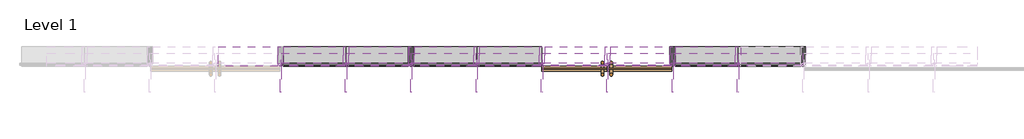
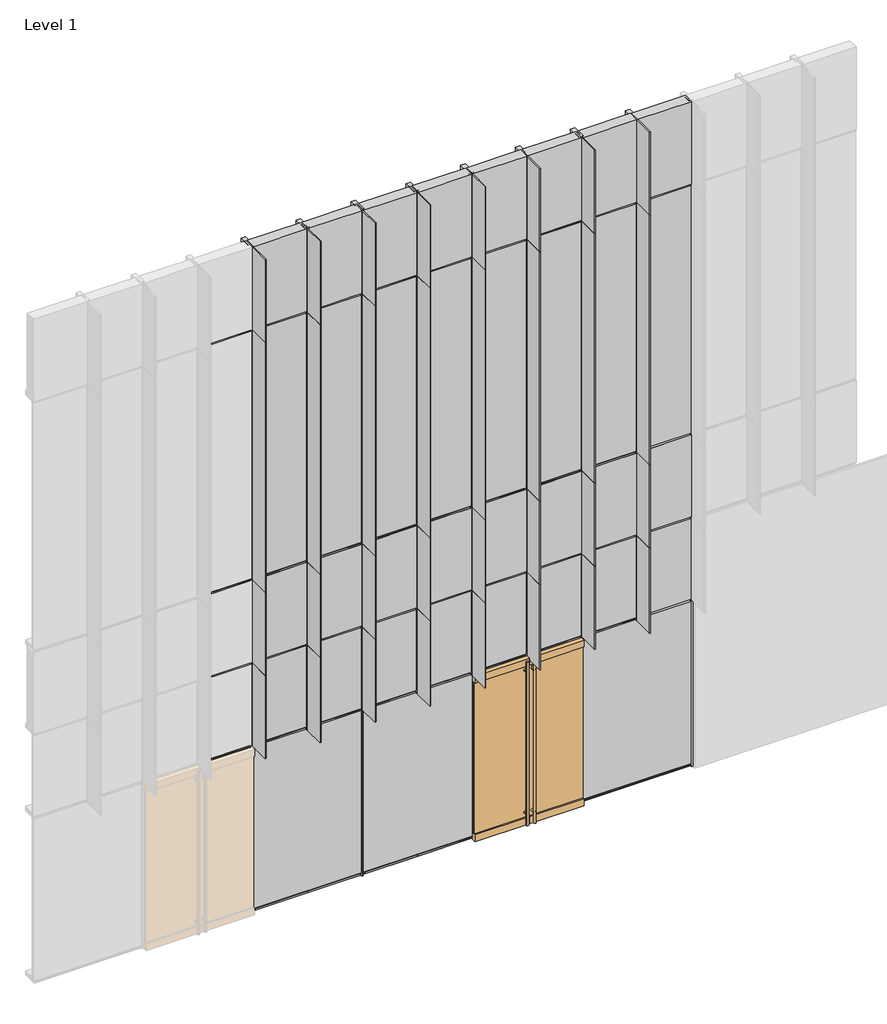
# One storey, part 4 of 15: 73 members, 35 plates, 1 door.
"""IFC4 building model written with IfcOpenShell, lengths in millimetres."""

import ifcopenshell
import ifcopenshell.guid

model = None  # the IFC model being written
_history = None  # IfcOwnerHistory: only IFC2X3 demands one
_inside = {}  # id of a spatial element -> (the spatial element, [elements in it])
_under = {}  # id of a project, library or spatial element -> (it, [spatial elements below it])
_declared = {}  # id of a project -> (the project, [libraries it declares])
_typed = {}  # id of a type object -> (the type object, [elements of that type])
_made_of = {}  # id of a material, layer set ... -> (it, [elements and type objects made of it])


def new_model(schema):
    """Start an empty IFC model of exactly this schema.

    Asked for "IFC4X3", IfcOpenShell would pick the latest addendum, in which some entities
    have other attributes; the version numbers below select the first issue.
    IFC2X3 requires an IfcOwnerHistory on every rooted entity: one is made here for all.
    """
    global model, _history
    if schema == "IFC4X3":
        model = ifcopenshell.file(schema_version=(4, 3, 0, 0))
    else:
        model = ifcopenshell.file(schema=schema)
    _inside.clear()
    _under.clear()
    _declared.clear()
    _typed.clear()
    _made_of.clear()
    _history = None
    if model.schema == "IFC2X3":
        org = make("IfcOrganization", Name="unknown")
        user = make(
            "IfcPersonAndOrganization",
            ThePerson=make("IfcPerson", FamilyName="unknown"),
            TheOrganization=org,
        )
        app = make(
            "IfcApplication",
            ApplicationDeveloper=org,
            Version="unknown",
            ApplicationFullName="unknown",
            ApplicationIdentifier="unknown",
        )
        _history = make(
            "IfcOwnerHistory",
            OwningUser=user,
            OwningApplication=app,
            ChangeAction="ADDED",
            CreationDate=0,
        )
    return model


def make(cls, **values):
    """One entity of the class cls with the attributes given. An attribute that is None is left unset."""
    return model.create_entity(
        cls, **{name: value for name, value in values.items() if value is not None}
    )


def rooted(cls, **values):
    """An entity with a GlobalId (a new one), such as an element, a storey or a relation."""
    return make(cls, GlobalId=ifcopenshell.guid.new(), OwnerHistory=_history, **values)


def si_unit(unit_type, name, prefix=None):
    """IfcSIUnit, for example si_unit("LENGTHUNIT", "METRE", prefix="MILLI")."""
    return make("IfcSIUnit", UnitType=unit_type, Prefix=prefix, Name=name)


def assignment(units):
    """IfcUnitAssignment: the units of a project."""
    return None if units is None else make("IfcUnitAssignment", Units=units)


def point(xyz):
    """IfcCartesianPoint."""
    return None if xyz is None else make("IfcCartesianPoint", Coordinates=xyz)


def direction(xyz):
    """IfcDirection."""
    return None if xyz is None else make("IfcDirection", DirectionRatios=xyz)


def frame(location, z_axis=None, x_axis=None):
    """IfcAxis2Placement3D, a coordinate frame: its origin and axes. An axis left out is left unset."""
    return make(
        "IfcAxis2Placement3D",
        Location=point(location),
        Axis=direction(z_axis),
        RefDirection=direction(x_axis),
    )


def frame_2d(location, x_axis=None):
    """IfcAxis2Placement2D, a coordinate frame in the plane: its origin and x axis."""
    return make(
        "IfcAxis2Placement2D", Location=point(location), RefDirection=direction(x_axis)
    )


def origin():
    """The frame at (0, 0, 0) with its axes left unset."""
    return frame((0.0, 0.0, 0.0))


def origin_with_axes():
    """The frame at (0, 0, 0) with the z axis (0, 0, 1) and the x axis (1, 0, 0) written out."""
    return frame((0.0, 0.0, 0.0), z_axis=(0.0, 0.0, 1.0), x_axis=(1.0, 0.0, 0.0))


def place(relative_to, where):
    """IfcLocalPlacement: puts the frame where relative to a parent placement (None: the world)."""
    return make(
        "IfcLocalPlacement", PlacementRelTo=relative_to, RelativePlacement=where
    )


def context(
    kind, dimensions, precision=None, world=None, true_north=None, identifier=None
):
    """IfcGeometricRepresentationContext, for example the 3D "Model" context."""
    return make(
        "IfcGeometricRepresentationContext",
        ContextIdentifier=identifier,
        ContextType=kind,
        CoordinateSpaceDimension=dimensions,
        Precision=precision,
        WorldCoordinateSystem=world,
        TrueNorth=true_north,
    )


def project(units=None, contexts=None):
    """IfcProject with its units and contexts."""
    return rooted(
        "IfcProject",
        Name="project",
        RepresentationContexts=contexts,
        UnitsInContext=assignment(units),
    )


def spatial(cls, under=None, at=None, **own):
    """A site, building, storey or space (cls), placed at a placement, below another one or the project."""
    s = rooted(cls, ObjectPlacement=at, **own)
    if under is not None:
        _under.setdefault(under.id(), (under, []))[1].append(s)
    return s


def polyline(points):
    """IfcPolyline through the points."""
    return make("IfcPolyline", Points=[point(p) for p in points])


def circle_curve(where, radius):
    """IfcCircle in the frame where."""
    return make("IfcCircle", Position=where, Radius=radius)


def trimmed(basis, trim1, trim2, sense, master):
    """IfcTrimmedCurve: the piece of a basis curve between two trims."""
    return make(
        "IfcTrimmedCurve",
        BasisCurve=basis,
        Trim1=trim1,
        Trim2=trim2,
        SenseAgreement=sense,
        MasterRepresentation=master,
    )


def segment(curve, same_sense, transition):
    """IfcCompositeCurveSegment."""
    return make(
        "IfcCompositeCurveSegment",
        Transition=transition,
        SameSense=same_sense,
        ParentCurve=curve,
    )


def composite_curve(segments, self_intersect=None):
    """IfcCompositeCurve: segments joined end to end."""
    return make("IfcCompositeCurve", Segments=segments, SelfIntersect=self_intersect)


def outline(outer, holes=None, kind="AREA"):
    """IfcArbitraryClosedProfileDef: a profile drawn as a closed curve; with holes, ...WithVoids."""
    if holes is None:
        return make("IfcArbitraryClosedProfileDef", ProfileType=kind, OuterCurve=outer)
    return make(
        "IfcArbitraryProfileDefWithVoids",
        ProfileType=kind,
        OuterCurve=outer,
        InnerCurves=holes,
    )


def extrude(swept, where, along, depth):
    """IfcExtrudedAreaSolid: the profile swept, set in the frame where, extruded along a direction by depth."""
    return make(
        "IfcExtrudedAreaSolid",
        SweptArea=swept,
        Position=where,
        ExtrudedDirection=direction(along),
        Depth=depth,
    )


def shape(context_of_items, identifier, shape_type, items):
    """IfcShapeRepresentation: the items that make up one representation, for example the "Body"."""
    return make(
        "IfcShapeRepresentation",
        ContextOfItems=context_of_items,
        RepresentationIdentifier=identifier,
        RepresentationType=shape_type,
        Items=items,
    )


def source(mapping_origin, context_of_items, identifier, shape_type, items):
    """IfcRepresentationMap: a shape defined once, which mapped items show again and again."""
    return make(
        "IfcRepresentationMap",
        MappingOrigin=mapping_origin,
        MappedRepresentation=shape(context_of_items, identifier, shape_type, items),
    )


def transform(
    local_origin,
    x_axis=None,
    y_axis=None,
    z_axis=None,
    scale=None,
    scale2=None,
    scale3=None,
    uniform=True,
):
    """IfcCartesianTransformationOperator3D, or its non-uniform kind. x_axis, y_axis, z_axis: its Axis1, 2, 3."""
    if uniform:
        return make(
            "IfcCartesianTransformationOperator3D",
            Axis1=direction(x_axis),
            Axis2=direction(y_axis),
            LocalOrigin=point(local_origin),
            Scale=scale,
            Axis3=direction(z_axis),
        )
    return make(
        "IfcCartesianTransformationOperator3DnonUniform",
        Axis1=direction(x_axis),
        Axis2=direction(y_axis),
        LocalOrigin=point(local_origin),
        Scale=scale,
        Axis3=direction(z_axis),
        Scale2=scale2,
        Scale3=scale3,
    )


def mapped(mapping_source, mapping_target):
    """IfcMappedItem: shows the shape of a source again, moved by a transform."""
    return make(
        "IfcMappedItem", MappingSource=mapping_source, MappingTarget=mapping_target
    )


def made_of(thing, what):
    """Note that an element or type object is made of a material, layer set ...; save() writes the relation."""
    if what is not None:
        _made_of.setdefault(what.id(), (what, []))[1].append(thing)
    return thing


def element(
    cls,
    number,
    at=None,
    inside=None,
    cuts=None,
    type_object=None,
    material=None,
    context=None,
    identifier="Body",
    shape_type=None,
    held_by="IfcProductDefinitionShape",
    body=None,
    shapes=None,
    **own,
):
    """One element of the class cls, such as IfcWall. Its Tag is "e" and its number.

    at: its placement. inside: the storey or other place that contains it. cuts: it is an
    opening in that element (IfcRelVoidsElement). A single representation is given by context,
    identifier, shape_type and body (its items); several are given by shapes. held_by: the class
    of the entity that holds the representations. save() writes the other relations.
    """
    e = rooted(cls, Tag="e%d" % number, ObjectPlacement=at, **own)
    if body is not None:
        shapes = [shape(context, identifier, shape_type, body)]
    if shapes is not None:
        e.Representation = make(held_by, Representations=shapes)
    if inside is not None:
        _inside.setdefault(inside.id(), (inside, []))[1].append(e)
    if cuts is not None:
        rooted(
            "IfcRelVoidsElement", RelatingBuildingElement=cuts, RelatedOpeningElement=e
        )
    if type_object is not None:
        _typed.setdefault(type_object.id(), (type_object, []))[1].append(e)
    return made_of(e, material)


def aggregate(whole, parts):
    """IfcRelAggregates: a whole, such as a stair, and the parts it consists of."""
    return rooted("IfcRelAggregates", RelatingObject=whole, RelatedObjects=parts)


def save(model, path):
    """Write the relations noted so far, then the file.

    IfcRelAggregates (storeys below a building ...), IfcRelContainedInSpatialStructure (elements
    in a storey), IfcRelDefinesByType, IfcRelAssociatesMaterial and IfcRelDeclares: one each for
    every whole, place, type object, material and project.
    """
    for whole, parts in _under.values():
        aggregate(whole, parts)
    for where, things in _inside.values():
        rooted(
            "IfcRelContainedInSpatialStructure",
            RelatedElements=things,
            RelatingStructure=where,
        )
    for kind, things in _typed.values():
        rooted("IfcRelDefinesByType", RelatedObjects=things, RelatingType=kind)
    for what, things in _made_of.values():
        rooted("IfcRelAssociatesMaterial", RelatedObjects=things, RelatingMaterial=what)
    for by, libraries in _declared.values():
        rooted("IfcRelDeclares", RelatingContext=by, RelatedDefinitions=libraries)
    model.write(path)


def default_exterior_d0bf066a(model_context):
    return source(origin(), model_context, "Body", "SweptSolid", [
        extrude(outline(composite_curve([segment(trimmed(circle_curve(frame_2d((2260.6, -50.8)), 15.875), [point((2260.6, -34.925))], [point((2260.6, -66.675))], False, "CARTESIAN"), True, "CONTINUOUS"), segment(trimmed(circle_curve(frame_2d((2260.6, -50.8)), 15.875), [point((2260.6, -66.675))], [point((2260.6, -34.925))], False, "CARTESIAN"), True, "CONTINUOUS")], self_intersect=False)), frame((0.0, -98.425, 0.0), z_axis=(0.0, 1.0, 0.0), x_axis=(0.0, 0.0, 1.0)), (0.0, 0.0, 1.0), 139.7),
        extrude(outline(composite_curve([segment(trimmed(circle_curve(frame_2d((177.8, -50.8)), 15.875), [point((177.8, -34.925))], [point((177.8, -66.675))], False, "CARTESIAN"), True, "CONTINUOUS"), segment(trimmed(circle_curve(frame_2d((177.8, -50.8)), 15.875), [point((177.8, -66.675))], [point((177.8, -34.925))], False, "CARTESIAN"), True, "CONTINUOUS")], self_intersect=False)), frame((0.0, -98.425, 0.0), z_axis=(0.0, 1.0, 0.0), x_axis=(0.0, 0.0, 1.0)), (0.0, 0.0, 1.0), 139.7),
        extrude(outline(composite_curve([segment(trimmed(circle_curve(frame_2d((-50.8, -98.425)), 15.875), [point((-34.925, -98.425))], [point((-66.675, -98.425))], False, "CARTESIAN"), True, "CONTINUOUS"), segment(trimmed(circle_curve(frame_2d((-50.8, -98.425)), 15.875), [point((-66.675, -98.425))], [point((-34.925, -98.425))], False, "CARTESIAN"), True, "CONTINUOUS")], self_intersect=False)), frame((0.0, 0.0, 25.4), z_axis=(0.0, 0.0, 1.0), x_axis=(1.0, 0.0, 0.0)), (0.0, 0.0, 1.0), 2387.6),
        extrude(outline(composite_curve([segment(trimmed(circle_curve(frame_2d((-50.8, 41.275)), 15.875), [point((-34.925, 41.275))], [point((-66.675, 41.275))], False, "CARTESIAN"), True, "CONTINUOUS"), segment(trimmed(circle_curve(frame_2d((-50.8, 41.275)), 15.875), [point((-66.675, 41.275))], [point((-34.925, 41.275))], False, "CARTESIAN"), True, "CONTINUOUS")], self_intersect=False)), frame((0.0, 0.0, 25.4), z_axis=(0.0, 0.0, 1.0), x_axis=(1.0, 0.0, 0.0)), (0.0, 0.0, 1.0), 2387.6),
        extrude(outline(composite_curve([segment(trimmed(circle_curve(frame_2d((2260.6, 50.8)), 15.875), [point((2260.6, 34.925))], [point((2260.6, 66.675))], False, "CARTESIAN"), True, "CONTINUOUS"), segment(trimmed(circle_curve(frame_2d((2260.6, 50.8)), 15.875), [point((2260.6, 66.675))], [point((2260.6, 34.925))], False, "CARTESIAN"), True, "CONTINUOUS")], self_intersect=False)), frame((0.0, -98.425, 0.0), z_axis=(0.0, 1.0, 0.0), x_axis=(0.0, 0.0, 1.0)), (0.0, 0.0, 1.0), 139.7),
        extrude(outline(composite_curve([segment(trimmed(circle_curve(frame_2d((177.8, 50.8)), 15.875), [point((177.8, 34.925))], [point((177.8, 66.675))], False, "CARTESIAN"), True, "CONTINUOUS"), segment(trimmed(circle_curve(frame_2d((177.8, 50.8)), 15.875), [point((177.8, 66.675))], [point((177.8, 34.925))], False, "CARTESIAN"), True, "CONTINUOUS")], self_intersect=False)), frame((0.0, -98.425, 0.0), z_axis=(0.0, 1.0, 0.0), x_axis=(0.0, 0.0, 1.0)), (0.0, 0.0, 1.0), 139.7),
        extrude(outline(composite_curve([segment(trimmed(circle_curve(frame_2d((50.8, -98.425)), 15.875), [point((34.925, -98.425))], [point((66.675, -98.425))], False, "CARTESIAN"), True, "CONTINUOUS"), segment(trimmed(circle_curve(frame_2d((50.8, -98.425)), 15.875), [point((66.675, -98.425))], [point((34.925, -98.425))], False, "CARTESIAN"), True, "CONTINUOUS")], self_intersect=False)), frame((0.0, 0.0, 25.4), z_axis=(0.0, 0.0, 1.0), x_axis=(1.0, 0.0, 0.0)), (0.0, 0.0, 1.0), 2387.6),
        extrude(outline(composite_curve([segment(trimmed(circle_curve(frame_2d((50.8, 41.275)), 15.875), [point((34.925, 41.275))], [point((66.675, 41.275))], False, "CARTESIAN"), True, "CONTINUOUS"), segment(trimmed(circle_curve(frame_2d((50.8, 41.275)), 15.875), [point((66.675, 41.275))], [point((34.925, 41.275))], False, "CARTESIAN"), True, "CONTINUOUS")], self_intersect=False)), frame((0.0, 0.0, 25.4), z_axis=(0.0, 0.0, 1.0), x_axis=(1.0, 0.0, 0.0)), (0.0, 0.0, 1.0), 2387.6),
        extrude(outline(polyline([(-757.2375, -57.15), (-757.2375, 0.0), (0.0, 0.0), (0.0, -57.15), (-757.2375, -57.15)])), frame((0.0, 0.0, 2327.275), z_axis=(0.0, 0.0, 1.0), x_axis=(1.0, 0.0, 0.0)), (0.0, 0.0, 1.0), 101.6),
        extrude(outline(polyline([(-757.2375, -57.15), (-757.2375, 0.0), (0.0, 0.0), (0.0, -57.15), (-757.2375, -57.15)])), origin_with_axes(), (0.0, 0.0, 1.0), 101.6),
        extrude(outline(polyline([(-757.2375, -34.925), (-757.2375, -22.225), (0.0, -22.225), (0.0, -34.925), (-757.2375, -34.925)])), frame((0.0, 0.0, 101.6), z_axis=(0.0, 0.0, 1.0), x_axis=(1.0, 0.0, 0.0)), (0.0, 0.0, 1.0), 2225.675),
        extrude(outline(polyline([(757.2375, -57.15), (0.0, -57.15), (0.0, 0.0), (757.2375, 0.0), (757.2375, -57.15)])), frame((0.0, 0.0, 2327.275), z_axis=(0.0, 0.0, 1.0), x_axis=(1.0, 0.0, 0.0)), (0.0, 0.0, 1.0), 101.6),
        extrude(outline(polyline([(757.2375, -57.15), (0.0, -57.15), (0.0, 0.0), (757.2375, 0.0), (757.2375, -57.15)])), origin_with_axes(), (0.0, 0.0, 1.0), 101.6),
        extrude(outline(polyline([(757.2375, -34.925), (0.0, -34.925), (0.0, -22.225), (757.2375, -22.225), (757.2375, -34.925)])), frame((0.0, 0.0, 101.6), z_axis=(0.0, 0.0, 1.0), x_axis=(1.0, 0.0, 0.0)), (0.0, 0.0, 1.0), 2225.675),
    ])


def rectangular_mullion_658b0388(model_context):
    return source(origin(), model_context, "Body", "SweptSolid", [
        extrude(outline(polyline([(33.2101153, -228.6), (-30.2898847, -228.6), (-30.2898847, -26.9875), (-8.0648847, -26.9875), (-8.0648847, 0.0), (-4.8898847, 0.0), (-4.8898847, 304.8), (7.8101153, 304.8), (7.8101153, 0.0), (10.9851153, 0.0), (10.9851153, -26.9875), (33.2101153, -26.9875), (33.2101153, -228.6)])), frame((0.0, 0.0, -3657.6), z_axis=(0.0, 0.0, 1.0), x_axis=(1.0, 0.0, 0.0)), (0.0, 0.0, 1.0), 3657.6),
    ])


def rectangular_mullion_40a1b22a(model_context):
    return source(origin(), model_context, "Body", "SweptSolid", [
        extrude(outline(polyline([(33.2101153, -228.6), (-30.2898847, -228.6), (-30.2898847, -26.9875), (-8.0648847, -26.9875), (-8.0648847, 0.0), (-4.8898847, 0.0), (-4.8898847, 304.8), (7.8101153, 304.8), (7.8101153, 0.0), (10.9851153, 0.0), (10.9851153, -26.9875), (33.2101153, -26.9875), (33.2101153, -228.6)])), frame((0.0, 0.0, -1219.2), z_axis=(0.0, 0.0, 1.0), x_axis=(1.0, 0.0, 0.0)), (0.0, 0.0, 1.0), 1219.2),
    ])


def rectangular_mullion_8a8c6ea4(model_context):
    return source(origin(), model_context, "Body", "SweptSolid", [
        extrude(outline(polyline([(31.75, -228.6), (-31.75, -228.6), (-31.75, -26.9875), (-9.525, -26.9875), (-9.525, 0.0), (9.525, 0.0), (9.525, -26.9875), (31.75, -26.9875), (31.75, -228.6)])), frame((0.0, 0.0, -698.5), z_axis=(0.0, 0.0, 1.0), x_axis=(1.0, 0.0, 0.0)), (0.0, 0.0, 1.0), 698.5),
    ])


def rectangular_mullion_2ba164b7(model_context):
    return source(origin(), model_context, "Body", "SweptSolid", [
        extrude(outline(polyline([(31.75, -228.6), (-31.75, -228.6), (-31.75, -26.9875), (-9.525, -26.9875), (-9.525, 0.0), (9.525, 0.0), (9.525, -26.9875), (31.75, -26.9875), (31.75, -228.6)])), frame((0.0, 0.0, -2438.4), z_axis=(0.0, 0.0, 1.0), x_axis=(1.0, 0.0, 0.0)), (0.0, 0.0, 1.0), 2438.4),
    ])


def rectangular_mullion_79c372c8(model_context):
    return source(origin(), model_context, "Body", "SweptSolid", [
        extrude(outline(polyline([(33.2101153, -228.6), (-30.2898847, -228.6), (-30.2898847, -26.9875), (-8.0648847, -26.9875), (-8.0648847, 0.0), (-4.8898847, 0.0), (-4.8898847, 304.8), (7.8101153, 304.8), (7.8101153, 0.0), (10.9851153, 0.0), (10.9851153, -26.9875), (33.2101153, -26.9875), (33.2101153, -228.6)])), frame((0.0, 0.0, -1250.95), z_axis=(0.0, 0.0, 1.0), x_axis=(1.0, 0.0, 0.0)), (0.0, 0.0, 1.0), 1250.95),
    ])


def rectangular_mullion_a8ff40d3(model_context):
    return source(origin(), model_context, "Body", "SweptSolid", [
        extrude(outline(polyline([(31.75, -228.6), (-31.75, -228.6), (-31.75, -26.9875), (-9.525, -26.9875), (-9.525, 0.0), (9.525, 0.0), (9.525, -26.9875), (31.75, -26.9875), (31.75, -228.6)])), frame((0.0, 0.0, -697.0398847), z_axis=(0.0, 0.0, 1.0), x_axis=(1.0, 0.0, 0.0)), (0.0, 0.0, 1.0), 697.0398847),
    ])


def rectangular_mullion_655f1c1d(model_context):
    return source(origin(), model_context, "Body", "SweptSolid", [
        extrude(outline(polyline([(-63.5, -228.6), (-63.5, -26.9875), (-41.275, -26.9875), (-41.275, 0.0), (-22.225, 0.0), (-22.225, -26.9875), (0.0, -26.9875), (0.0, -228.6), (-63.5, -228.6)])), frame((0.0, 0.0, -762.0), z_axis=(0.0, 0.0, 1.0), x_axis=(1.0, 0.0, 0.0)), (0.0, 0.0, 1.0), 762.0),
    ])


def rectangular_mullion_34b15848(model_context):
    return source(origin(), model_context, "Body", "SweptSolid", [
        extrude(outline(polyline([(-63.5, -228.6), (-63.5, -26.9875), (-41.275, -26.9875), (-41.275, 0.0), (-22.225, 0.0), (-22.225, -26.9875), (0.0, -26.9875), (0.0, -228.6), (-63.5, -228.6)])), frame((0.0, 0.0, -730.25), z_axis=(0.0, 0.0, 1.0), x_axis=(1.0, 0.0, 0.0)), (0.0, 0.0, 1.0), 730.25),
    ])


def plate_6c5fabed(model_context):
    return source(origin(), model_context, "Body", "SweptSolid", [
        extrude(outline(polyline([(0.0, -752.475), (0.0, 0.0), (0.0, 752.475), (2387.6, 752.475), (2387.6, 0.0), (2387.6, -752.475), (0.0, -752.475)])), frame((0.0, 12.7, 0.0), z_axis=(0.0, 1.0, 0.0), x_axis=(0.0, 0.0, 1.0)), (0.0, 0.0, 1.0), 25.4),
    ])


def plate_df1a668c(model_context):
    return source(origin(), model_context, "Body", "SweptSolid", [
        extrude(outline(polyline([(0.0, -757.2375), (0.0, -4.7625), (0.0, 757.2375), (2387.6, 757.2375), (2387.6, -4.7625), (2387.6, -757.2375), (0.0, -757.2375)])), frame((0.0, 12.7, 0.0), z_axis=(0.0, 1.0, 0.0), x_axis=(0.0, 0.0, 1.0)), (0.0, 0.0, 1.0), 25.4),
    ])


def plate_a50c4586(model_context):
    return source(origin(), model_context, "Body", "SweptSolid", [
        extrude(outline(polyline([(371.475, 12.7), (-371.475, 12.7), (-371.475, 38.1), (371.475, 38.1), (371.475, 12.7)])), origin_with_axes(), (0.0, 0.0, 1.0), 3638.55),
    ])


def plate_fd20e3dd(model_context):
    return source(origin(), model_context, "Body", "SweptSolid", [
        extrude(outline(polyline([(371.475, 12.7), (-371.475, 12.7), (-371.475, 38.1), (371.475, 38.1), (371.475, 12.7)])), origin_with_axes(), (0.0, 0.0, 1.0), 1200.15),
    ])


def plate_d4540562(model_context):
    return source(origin(), model_context, "Body", "SweptSolid", [
        extrude(outline(polyline([(371.475, 0.0), (-371.475, 0.0), (-371.475, 152.4), (371.475, 152.4), (371.475, 0.0)])), origin_with_axes(), (0.0, 0.0, 1.0), 1200.15),
    ])


def plate_23171f9a(model_context):
    return source(origin(), model_context, "Body", "SweptSolid", [
        extrude(outline(polyline([(371.475, 0.0), (-371.475, 0.0), (-371.475, 152.4), (371.475, 152.4), (371.475, 0.0)])), origin_with_axes(), (0.0, 0.0, 1.0), 1209.675),
    ])


model = new_model("IFC4")

# Units and contexts
model_context = context("Model", 3, world=origin())
ifc_project = project(units=[si_unit("LENGTHUNIT", "METRE", prefix="MILLI")], contexts=[model_context])

# Site, building, storey
site = spatial("IfcSite", under=ifc_project)
building = spatial("IfcBuilding", under=site)
storey = spatial("IfcBuildingStorey", under=building, Name="Level 1", Elevation=0.0)

# Door
placement = place(None, origin())
default_exterior_shape = default_exterior_d0bf066a(model_context)
element("IfcDoor", 1, ObjectType="Default - Exterior", at=placement, inside=storey, context=model_context, shape_type="MappedRepresentation", body=[
    mapped(default_exterior_shape, transform((208075.1303019, 88347.5014, 0.0), x_axis=(1.0, 0.0, 0.0), y_axis=(0.0, 1.0, 0.0), z_axis=(0.0, 0.0, 1.0))),
])

# Members
rectangular_mullion_shape = rectangular_mullion_658b0388(model_context)
element("IfcMember", 2, ObjectType="Rectangular Mullion", at=placement, inside=storey, context=model_context, shape_type="MappedRepresentation", body=[
    mapped(rectangular_mullion_shape, transform((204269.8928019, 88347.5014, 4876.8), x_axis=(1.0, 0.0, 0.0), y_axis=(0.0, -1.0, 0.0), z_axis=(0.0, 0.0, -1.0))),
])
element("IfcMember", 3, ObjectType="Rectangular Mullion", at=placement, inside=storey, context=model_context, shape_type="MappedRepresentation", body=[
    mapped(rectangular_mullion_shape, transform((205031.8928019, 88347.5014, 4876.8), x_axis=(1.0, 0.0, 0.0), y_axis=(0.0, -1.0, 0.0), z_axis=(0.0, 0.0, -1.0))),
])
element("IfcMember", 4, ObjectType="Rectangular Mullion", at=placement, inside=storey, context=model_context, shape_type="MappedRepresentation", body=[
    mapped(rectangular_mullion_shape, transform((205793.8928019, 88347.5014, 4876.8), x_axis=(1.0, 0.0, 0.0), y_axis=(0.0, -1.0, 0.0), z_axis=(0.0, 0.0, -1.0))),
])
element("IfcMember", 5, ObjectType="Rectangular Mullion", at=placement, inside=storey, context=model_context, shape_type="MappedRepresentation", body=[
    mapped(rectangular_mullion_shape, transform((206555.8928019, 88347.5014, 4876.8), x_axis=(1.0, 0.0, 0.0), y_axis=(0.0, -1.0, 0.0), z_axis=(0.0, 0.0, -1.0))),
])
element("IfcMember", 6, ObjectType="Rectangular Mullion", at=placement, inside=storey, context=model_context, shape_type="MappedRepresentation", body=[
    mapped(rectangular_mullion_shape, transform((207317.8928019, 88347.5014, 4876.8), x_axis=(1.0, 0.0, 0.0), y_axis=(0.0, -1.0, 0.0), z_axis=(0.0, 0.0, -1.0))),
])
element("IfcMember", 7, ObjectType="Rectangular Mullion", at=placement, inside=storey, context=model_context, shape_type="MappedRepresentation", body=[
    mapped(rectangular_mullion_shape, transform((208079.8928019, 88347.5014, 4876.8), x_axis=(1.0, 0.0, 0.0), y_axis=(0.0, -1.0, 0.0), z_axis=(0.0, 0.0, -1.0))),
])
element("IfcMember", 8, ObjectType="Rectangular Mullion", at=placement, inside=storey, context=model_context, shape_type="MappedRepresentation", body=[
    mapped(rectangular_mullion_shape, transform((208841.8928019, 88347.5014, 4876.8), x_axis=(1.0, 0.0, 0.0), y_axis=(0.0, -1.0, 0.0), z_axis=(0.0, 0.0, -1.0))),
])
element("IfcMember", 9, ObjectType="Rectangular Mullion", at=placement, inside=storey, context=model_context, shape_type="MappedRepresentation", body=[
    mapped(rectangular_mullion_shape, transform((209603.8928019, 88347.5014, 4876.8), x_axis=(1.0, 0.0, 0.0), y_axis=(0.0, -1.0, 0.0), z_axis=(0.0, 0.0, -1.0))),
])
rectangular_mullion_2_shape = rectangular_mullion_40a1b22a(model_context)
element("IfcMember", 10, ObjectType="Rectangular Mullion", at=placement, inside=storey, context=model_context, shape_type="MappedRepresentation", body=[
    mapped(rectangular_mullion_2_shape, transform((204269.8928019, 88347.5014, 3657.6), x_axis=(1.0, 0.0, 0.0), y_axis=(0.0, -1.0, 0.0), z_axis=(0.0, 0.0, -1.0))),
])
element("IfcMember", 11, ObjectType="Rectangular Mullion", at=placement, inside=storey, context=model_context, shape_type="MappedRepresentation", body=[
    mapped(rectangular_mullion_2_shape, transform((205031.8928019, 88347.5014, 3657.6), x_axis=(1.0, 0.0, 0.0), y_axis=(0.0, -1.0, 0.0), z_axis=(0.0, 0.0, -1.0))),
])
element("IfcMember", 12, ObjectType="Rectangular Mullion", at=placement, inside=storey, context=model_context, shape_type="MappedRepresentation", body=[
    mapped(rectangular_mullion_2_shape, transform((205793.8928019, 88347.5014, 3657.6), x_axis=(1.0, 0.0, 0.0), y_axis=(0.0, -1.0, 0.0), z_axis=(0.0, 0.0, -1.0))),
])
element("IfcMember", 13, ObjectType="Rectangular Mullion", at=placement, inside=storey, context=model_context, shape_type="MappedRepresentation", body=[
    mapped(rectangular_mullion_2_shape, transform((206555.8928019, 88347.5014, 3657.6), x_axis=(1.0, 0.0, 0.0), y_axis=(0.0, -1.0, 0.0), z_axis=(0.0, 0.0, -1.0))),
])
element("IfcMember", 14, ObjectType="Rectangular Mullion", at=placement, inside=storey, context=model_context, shape_type="MappedRepresentation", body=[
    mapped(rectangular_mullion_2_shape, transform((207317.8928019, 88347.5014, 3657.6), x_axis=(1.0, 0.0, 0.0), y_axis=(0.0, -1.0, 0.0), z_axis=(0.0, 0.0, -1.0))),
])
element("IfcMember", 15, ObjectType="Rectangular Mullion", at=placement, inside=storey, context=model_context, shape_type="MappedRepresentation", body=[
    mapped(rectangular_mullion_2_shape, transform((208079.8928019, 88347.5014, 3657.6), x_axis=(1.0, 0.0, 0.0), y_axis=(0.0, -1.0, 0.0), z_axis=(0.0, 0.0, -1.0))),
])
element("IfcMember", 16, ObjectType="Rectangular Mullion", at=placement, inside=storey, context=model_context, shape_type="MappedRepresentation", body=[
    mapped(rectangular_mullion_2_shape, transform((208841.8928019, 88347.5014, 3657.6), x_axis=(1.0, 0.0, 0.0), y_axis=(0.0, -1.0, 0.0), z_axis=(0.0, 0.0, -1.0))),
])
element("IfcMember", 17, ObjectType="Rectangular Mullion", at=placement, inside=storey, context=model_context, shape_type="MappedRepresentation", body=[
    mapped(rectangular_mullion_2_shape, transform((209603.8928019, 88347.5014, 3657.6), x_axis=(1.0, 0.0, 0.0), y_axis=(0.0, -1.0, 0.0), z_axis=(0.0, 0.0, -1.0))),
])
element("IfcMember", 18, ObjectType="Rectangular Mullion", at=placement, inside=storey, context=model_context, shape_type="MappedRepresentation", body=[
    mapped(rectangular_mullion_2_shape, transform((204269.8928019, 88347.5014, 8534.4), x_axis=(1.0, 0.0, 0.0), y_axis=(0.0, -1.0, 0.0), z_axis=(0.0, 0.0, -1.0))),
])
element("IfcMember", 19, ObjectType="Rectangular Mullion", at=placement, inside=storey, context=model_context, shape_type="MappedRepresentation", body=[
    mapped(rectangular_mullion_2_shape, transform((205031.8928019, 88347.5014, 8534.4), x_axis=(1.0, 0.0, 0.0), y_axis=(0.0, -1.0, 0.0), z_axis=(0.0, 0.0, -1.0))),
])
element("IfcMember", 20, ObjectType="Rectangular Mullion", at=placement, inside=storey, context=model_context, shape_type="MappedRepresentation", body=[
    mapped(rectangular_mullion_2_shape, transform((205793.8928019, 88347.5014, 8534.4), x_axis=(1.0, 0.0, 0.0), y_axis=(0.0, -1.0, 0.0), z_axis=(0.0, 0.0, -1.0))),
])
element("IfcMember", 21, ObjectType="Rectangular Mullion", at=placement, inside=storey, context=model_context, shape_type="MappedRepresentation", body=[
    mapped(rectangular_mullion_2_shape, transform((206555.8928019, 88347.5014, 8534.4), x_axis=(1.0, 0.0, 0.0), y_axis=(0.0, -1.0, 0.0), z_axis=(0.0, 0.0, -1.0))),
])
element("IfcMember", 22, ObjectType="Rectangular Mullion", at=placement, inside=storey, context=model_context, shape_type="MappedRepresentation", body=[
    mapped(rectangular_mullion_2_shape, transform((207317.8928019, 88347.5014, 8534.4), x_axis=(1.0, 0.0, 0.0), y_axis=(0.0, -1.0, 0.0), z_axis=(0.0, 0.0, -1.0))),
])
element("IfcMember", 23, ObjectType="Rectangular Mullion", at=placement, inside=storey, context=model_context, shape_type="MappedRepresentation", body=[
    mapped(rectangular_mullion_2_shape, transform((208079.8928019, 88347.5014, 8534.4), x_axis=(1.0, 0.0, 0.0), y_axis=(0.0, -1.0, 0.0), z_axis=(0.0, 0.0, -1.0))),
])
element("IfcMember", 24, ObjectType="Rectangular Mullion", at=placement, inside=storey, context=model_context, shape_type="MappedRepresentation", body=[
    mapped(rectangular_mullion_2_shape, transform((208841.8928019, 88347.5014, 8534.4), x_axis=(1.0, 0.0, 0.0), y_axis=(0.0, -1.0, 0.0), z_axis=(0.0, 0.0, -1.0))),
])
element("IfcMember", 25, ObjectType="Rectangular Mullion", at=placement, inside=storey, context=model_context, shape_type="MappedRepresentation", body=[
    mapped(rectangular_mullion_2_shape, transform((209603.8928019, 88347.5014, 8534.4), x_axis=(1.0, 0.0, 0.0), y_axis=(0.0, -1.0, 0.0), z_axis=(0.0, 0.0, -1.0))),
])
rectangular_mullion_3_shape = rectangular_mullion_8a8c6ea4(model_context)
element("IfcMember", 26, ObjectType="Rectangular Mullion", at=placement, inside=storey, context=model_context, shape_type="MappedRepresentation", body=[
    mapped(rectangular_mullion_3_shape, transform((204239.6029172, 88347.5014, 4876.8), x_axis=(0.0, 0.0, 1.0), y_axis=(0.0, -1.0, 0.0), z_axis=(1.0, 0.0, 0.0))),
])
element("IfcMember", 27, ObjectType="Rectangular Mullion", at=placement, inside=storey, context=model_context, shape_type="MappedRepresentation", body=[
    mapped(rectangular_mullion_3_shape, transform((205001.6029172, 88347.5014, 4876.8), x_axis=(0.0, 0.0, 1.0), y_axis=(0.0, -1.0, 0.0), z_axis=(1.0, 0.0, 0.0))),
])
element("IfcMember", 28, ObjectType="Rectangular Mullion", at=placement, inside=storey, context=model_context, shape_type="MappedRepresentation", body=[
    mapped(rectangular_mullion_3_shape, transform((205763.6029172, 88347.5014, 4876.8), x_axis=(0.0, 0.0, 1.0), y_axis=(0.0, -1.0, 0.0), z_axis=(1.0, 0.0, 0.0))),
])
element("IfcMember", 29, ObjectType="Rectangular Mullion", at=placement, inside=storey, context=model_context, shape_type="MappedRepresentation", body=[
    mapped(rectangular_mullion_3_shape, transform((206525.6029172, 88347.5014, 4876.8), x_axis=(0.0, 0.0, 1.0), y_axis=(0.0, -1.0, 0.0), z_axis=(1.0, 0.0, 0.0))),
])
element("IfcMember", 30, ObjectType="Rectangular Mullion", at=placement, inside=storey, context=model_context, shape_type="MappedRepresentation", body=[
    mapped(rectangular_mullion_3_shape, transform((207287.6029172, 88347.5014, 4876.8), x_axis=(0.0, 0.0, 1.0), y_axis=(0.0, -1.0, 0.0), z_axis=(1.0, 0.0, 0.0))),
])
element("IfcMember", 31, ObjectType="Rectangular Mullion", at=placement, inside=storey, context=model_context, shape_type="MappedRepresentation", body=[
    mapped(rectangular_mullion_3_shape, transform((208049.6029172, 88347.5014, 4876.8), x_axis=(0.0, 0.0, 1.0), y_axis=(0.0, -1.0, 0.0), z_axis=(1.0, 0.0, 0.0))),
])
element("IfcMember", 32, ObjectType="Rectangular Mullion", at=placement, inside=storey, context=model_context, shape_type="MappedRepresentation", body=[
    mapped(rectangular_mullion_3_shape, transform((208811.6029172, 88347.5014, 4876.8), x_axis=(0.0, 0.0, 1.0), y_axis=(0.0, -1.0, 0.0), z_axis=(1.0, 0.0, 0.0))),
])
element("IfcMember", 33, ObjectType="Rectangular Mullion", at=placement, inside=storey, context=model_context, shape_type="MappedRepresentation", body=[
    mapped(rectangular_mullion_3_shape, transform((209573.6029172, 88347.5014, 4876.8), x_axis=(0.0, 0.0, 1.0), y_axis=(0.0, -1.0, 0.0), z_axis=(1.0, 0.0, 0.0))),
])
element("IfcMember", 34, ObjectType="Rectangular Mullion", at=placement, inside=storey, context=model_context, shape_type="MappedRepresentation", body=[
    mapped(rectangular_mullion_3_shape, transform((204239.6029172, 88347.5014, 3657.6), x_axis=(0.0, 0.0, 1.0), y_axis=(0.0, -1.0, 0.0), z_axis=(1.0, 0.0, 0.0))),
])
element("IfcMember", 35, ObjectType="Rectangular Mullion", at=placement, inside=storey, context=model_context, shape_type="MappedRepresentation", body=[
    mapped(rectangular_mullion_3_shape, transform((205001.6029172, 88347.5014, 3657.6), x_axis=(0.0, 0.0, 1.0), y_axis=(0.0, -1.0, 0.0), z_axis=(1.0, 0.0, 0.0))),
])
element("IfcMember", 36, ObjectType="Rectangular Mullion", at=placement, inside=storey, context=model_context, shape_type="MappedRepresentation", body=[
    mapped(rectangular_mullion_3_shape, transform((205763.6029172, 88347.5014, 3657.6), x_axis=(0.0, 0.0, 1.0), y_axis=(0.0, -1.0, 0.0), z_axis=(1.0, 0.0, 0.0))),
])
element("IfcMember", 37, ObjectType="Rectangular Mullion", at=placement, inside=storey, context=model_context, shape_type="MappedRepresentation", body=[
    mapped(rectangular_mullion_3_shape, transform((206525.6029172, 88347.5014, 3657.6), x_axis=(0.0, 0.0, 1.0), y_axis=(0.0, -1.0, 0.0), z_axis=(1.0, 0.0, 0.0))),
])
element("IfcMember", 38, ObjectType="Rectangular Mullion", at=placement, inside=storey, context=model_context, shape_type="MappedRepresentation", body=[
    mapped(rectangular_mullion_3_shape, transform((207287.6029172, 88347.5014, 3657.6), x_axis=(0.0, 0.0, 1.0), y_axis=(0.0, -1.0, 0.0), z_axis=(1.0, 0.0, 0.0))),
])
element("IfcMember", 39, ObjectType="Rectangular Mullion", at=placement, inside=storey, context=model_context, shape_type="MappedRepresentation", body=[
    mapped(rectangular_mullion_3_shape, transform((208049.6029172, 88347.5014, 3657.6), x_axis=(0.0, 0.0, 1.0), y_axis=(0.0, -1.0, 0.0), z_axis=(1.0, 0.0, 0.0))),
])
element("IfcMember", 40, ObjectType="Rectangular Mullion", at=placement, inside=storey, context=model_context, shape_type="MappedRepresentation", body=[
    mapped(rectangular_mullion_3_shape, transform((208811.6029172, 88347.5014, 3657.6), x_axis=(0.0, 0.0, 1.0), y_axis=(0.0, -1.0, 0.0), z_axis=(1.0, 0.0, 0.0))),
])
element("IfcMember", 41, ObjectType="Rectangular Mullion", at=placement, inside=storey, context=model_context, shape_type="MappedRepresentation", body=[
    mapped(rectangular_mullion_3_shape, transform((209573.6029172, 88347.5014, 3657.6), x_axis=(0.0, 0.0, 1.0), y_axis=(0.0, -1.0, 0.0), z_axis=(1.0, 0.0, 0.0))),
])
element("IfcMember", 42, ObjectType="Rectangular Mullion", at=placement, inside=storey, context=model_context, shape_type="MappedRepresentation", body=[
    mapped(rectangular_mullion_3_shape, transform((204239.6029172, 88347.5014, 8534.4), x_axis=(0.0, 0.0, 1.0), y_axis=(0.0, -1.0, 0.0), z_axis=(1.0, 0.0, 0.0))),
])
element("IfcMember", 43, ObjectType="Rectangular Mullion", at=placement, inside=storey, context=model_context, shape_type="MappedRepresentation", body=[
    mapped(rectangular_mullion_3_shape, transform((205001.6029172, 88347.5014, 8534.4), x_axis=(0.0, 0.0, 1.0), y_axis=(0.0, -1.0, 0.0), z_axis=(1.0, 0.0, 0.0))),
])
element("IfcMember", 44, ObjectType="Rectangular Mullion", at=placement, inside=storey, context=model_context, shape_type="MappedRepresentation", body=[
    mapped(rectangular_mullion_3_shape, transform((205763.6029172, 88347.5014, 8534.4), x_axis=(0.0, 0.0, 1.0), y_axis=(0.0, -1.0, 0.0), z_axis=(1.0, 0.0, 0.0))),
])
element("IfcMember", 45, ObjectType="Rectangular Mullion", at=placement, inside=storey, context=model_context, shape_type="MappedRepresentation", body=[
    mapped(rectangular_mullion_3_shape, transform((206525.6029172, 88347.5014, 8534.4), x_axis=(0.0, 0.0, 1.0), y_axis=(0.0, -1.0, 0.0), z_axis=(1.0, 0.0, 0.0))),
])
element("IfcMember", 46, ObjectType="Rectangular Mullion", at=placement, inside=storey, context=model_context, shape_type="MappedRepresentation", body=[
    mapped(rectangular_mullion_3_shape, transform((207287.6029172, 88347.5014, 8534.4), x_axis=(0.0, 0.0, 1.0), y_axis=(0.0, -1.0, 0.0), z_axis=(1.0, 0.0, 0.0))),
])
element("IfcMember", 47, ObjectType="Rectangular Mullion", at=placement, inside=storey, context=model_context, shape_type="MappedRepresentation", body=[
    mapped(rectangular_mullion_3_shape, transform((208049.6029172, 88347.5014, 8534.4), x_axis=(0.0, 0.0, 1.0), y_axis=(0.0, -1.0, 0.0), z_axis=(1.0, 0.0, 0.0))),
])
element("IfcMember", 48, ObjectType="Rectangular Mullion", at=placement, inside=storey, context=model_context, shape_type="MappedRepresentation", body=[
    mapped(rectangular_mullion_3_shape, transform((208811.6029172, 88347.5014, 8534.4), x_axis=(0.0, 0.0, 1.0), y_axis=(0.0, -1.0, 0.0), z_axis=(1.0, 0.0, 0.0))),
])
element("IfcMember", 49, ObjectType="Rectangular Mullion", at=placement, inside=storey, context=model_context, shape_type="MappedRepresentation", body=[
    mapped(rectangular_mullion_3_shape, transform((209573.6029172, 88347.5014, 8534.4), x_axis=(0.0, 0.0, 1.0), y_axis=(0.0, -1.0, 0.0), z_axis=(1.0, 0.0, 0.0))),
])
element("IfcMember", 50, ObjectType="Rectangular Mullion", at=placement, inside=storey, context=model_context, shape_type="MappedRepresentation", body=[
    mapped(rectangular_mullion_3_shape, transform((205001.6029172, 88347.5014, 2438.4), x_axis=(0.0, 0.0, 1.0), y_axis=(0.0, -1.0, 0.0), z_axis=(1.0, 0.0, 0.0))),
])
element("IfcMember", 51, ObjectType="Rectangular Mullion", at=placement, inside=storey, context=model_context, shape_type="MappedRepresentation", body=[
    mapped(rectangular_mullion_3_shape, transform((206525.6029172, 88347.5014, 2438.4), x_axis=(0.0, 0.0, 1.0), y_axis=(0.0, -1.0, 0.0), z_axis=(1.0, 0.0, 0.0))),
])
element("IfcMember", 52, ObjectType="Rectangular Mullion", at=placement, inside=storey, context=model_context, shape_type="MappedRepresentation", body=[
    mapped(rectangular_mullion_3_shape, transform((207287.6029172, 88347.5014, 2438.4), x_axis=(0.0, 0.0, 1.0), y_axis=(0.0, -1.0, 0.0), z_axis=(1.0, 0.0, 0.0))),
])
element("IfcMember", 53, ObjectType="Rectangular Mullion", at=placement, inside=storey, context=model_context, shape_type="MappedRepresentation", body=[
    mapped(rectangular_mullion_3_shape, transform((208049.6029172, 88347.5014, 2438.4), x_axis=(0.0, 0.0, 1.0), y_axis=(0.0, -1.0, 0.0), z_axis=(1.0, 0.0, 0.0))),
])
element("IfcMember", 54, ObjectType="Rectangular Mullion", at=placement, inside=storey, context=model_context, shape_type="MappedRepresentation", body=[
    mapped(rectangular_mullion_3_shape, transform((209573.6029172, 88347.5014, 2438.4), x_axis=(0.0, 0.0, 1.0), y_axis=(0.0, -1.0, 0.0), z_axis=(1.0, 0.0, 0.0))),
])
rectangular_mullion_4_shape = rectangular_mullion_2ba164b7(model_context)
element("IfcMember", 55, ObjectType="Rectangular Mullion", at=placement, inside=storey, context=model_context, shape_type="MappedRepresentation", body=[
    mapped(rectangular_mullion_4_shape, transform((205793.8928019, 88347.5014, 0.0), x_axis=(1.0, 0.0, 0.0), y_axis=(0.0, -1.0, 0.0), z_axis=(0.0, 0.0, -1.0))),
])
element("IfcMember", 56, ObjectType="Rectangular Mullion", at=placement, inside=storey, context=model_context, shape_type="MappedRepresentation", body=[
    mapped(rectangular_mullion_4_shape, transform((208841.8928019, 88347.5014, 0.0), x_axis=(1.0, 0.0, 0.0), y_axis=(0.0, -1.0, 0.0), z_axis=(0.0, 0.0, -1.0))),
])
element("IfcMember", 57, ObjectType="Rectangular Mullion", at=placement, inside=storey, context=model_context, shape_type="MappedRepresentation", body=[
    mapped(rectangular_mullion_4_shape, transform((210365.8928019, 88347.5014, 0.0), x_axis=(1.0, 0.0, 0.0), y_axis=(0.0, -1.0, 0.0), z_axis=(0.0, 0.0, -1.0))),
])
rectangular_mullion_5_shape = rectangular_mullion_79c372c8(model_context)
element("IfcMember", 58, ObjectType="Rectangular Mullion", at=placement, inside=storey, context=model_context, shape_type="MappedRepresentation", body=[
    mapped(rectangular_mullion_5_shape, transform((205031.8928019, 88347.5014, 2406.65), x_axis=(1.0, 0.0, 0.0), y_axis=(0.0, -1.0, 0.0), z_axis=(0.0, 0.0, -1.0))),
])
element("IfcMember", 59, ObjectType="Rectangular Mullion", at=placement, inside=storey, context=model_context, shape_type="MappedRepresentation", body=[
    mapped(rectangular_mullion_5_shape, transform((206555.8928019, 88347.5014, 2406.65), x_axis=(1.0, 0.0, 0.0), y_axis=(0.0, -1.0, 0.0), z_axis=(0.0, 0.0, -1.0))),
])
element("IfcMember", 60, ObjectType="Rectangular Mullion", at=placement, inside=storey, context=model_context, shape_type="MappedRepresentation", body=[
    mapped(rectangular_mullion_5_shape, transform((207317.8928019, 88347.5014, 2406.65), x_axis=(1.0, 0.0, 0.0), y_axis=(0.0, -1.0, 0.0), z_axis=(0.0, 0.0, -1.0))),
])
element("IfcMember", 61, ObjectType="Rectangular Mullion", at=placement, inside=storey, context=model_context, shape_type="MappedRepresentation", body=[
    mapped(rectangular_mullion_5_shape, transform((208079.8928019, 88347.5014, 2406.65), x_axis=(1.0, 0.0, 0.0), y_axis=(0.0, -1.0, 0.0), z_axis=(0.0, 0.0, -1.0))),
])
element("IfcMember", 62, ObjectType="Rectangular Mullion", at=placement, inside=storey, context=model_context, shape_type="MappedRepresentation", body=[
    mapped(rectangular_mullion_5_shape, transform((209603.8928019, 88347.5014, 2406.65), x_axis=(1.0, 0.0, 0.0), y_axis=(0.0, -1.0, 0.0), z_axis=(0.0, 0.0, -1.0))),
])
element("IfcMember", 63, ObjectType="Rectangular Mullion", at=placement, inside=storey, context=model_context, shape_type="MappedRepresentation", body=[
    mapped(rectangular_mullion_2_shape, transform((204269.8928019, 88347.5014, 2438.4), x_axis=(1.0, 0.0, 0.0), y_axis=(0.0, -1.0, 0.0), z_axis=(0.0, 0.0, -1.0))),
])
element("IfcMember", 64, ObjectType="Rectangular Mullion", at=placement, inside=storey, context=model_context, shape_type="MappedRepresentation", body=[
    mapped(rectangular_mullion_2_shape, transform((205793.8928019, 88347.5014, 2438.4), x_axis=(1.0, 0.0, 0.0), y_axis=(0.0, -1.0, 0.0), z_axis=(0.0, 0.0, -1.0))),
])
element("IfcMember", 65, ObjectType="Rectangular Mullion", at=placement, inside=storey, context=model_context, shape_type="MappedRepresentation", body=[
    mapped(rectangular_mullion_2_shape, transform((208841.8928019, 88347.5014, 2438.4), x_axis=(1.0, 0.0, 0.0), y_axis=(0.0, -1.0, 0.0), z_axis=(0.0, 0.0, -1.0))),
])
rectangular_mullion_6_shape = rectangular_mullion_a8ff40d3(model_context)
element("IfcMember", 66, ObjectType="Rectangular Mullion", at=placement, inside=storey, context=model_context, shape_type="MappedRepresentation", body=[
    mapped(rectangular_mullion_6_shape, transform((204238.1428019, 88347.5014, 2438.4), x_axis=(0.0, 0.0, 1.0), y_axis=(0.0, -1.0, 0.0), z_axis=(1.0, 0.0, 0.0))),
])
element("IfcMember", 67, ObjectType="Rectangular Mullion", at=placement, inside=storey, context=model_context, shape_type="MappedRepresentation", body=[
    mapped(rectangular_mullion_6_shape, transform((205762.1428019, 88347.5014, 2438.4), x_axis=(0.0, 0.0, 1.0), y_axis=(0.0, -1.0, 0.0), z_axis=(1.0, 0.0, 0.0))),
])
element("IfcMember", 68, ObjectType="Rectangular Mullion", at=placement, inside=storey, context=model_context, shape_type="MappedRepresentation", body=[
    mapped(rectangular_mullion_6_shape, transform((208810.1428019, 88347.5014, 2438.4), x_axis=(0.0, 0.0, 1.0), y_axis=(0.0, -1.0, 0.0), z_axis=(1.0, 0.0, 0.0))),
])
rectangular_mullion_7_shape = rectangular_mullion_655f1c1d(model_context)
element("IfcMember", 69, ObjectType="Rectangular Mullion", at=placement, inside=storey, context=model_context, shape_type="MappedRepresentation", body=[
    mapped(rectangular_mullion_7_shape, transform((206555.8928019, 88347.5014, 0.0), x_axis=(0.0, 0.0, -1.0), y_axis=(0.0, -1.0, 0.0), z_axis=(-1.0, 0.0, 0.0))),
])
rectangular_mullion_8_shape = rectangular_mullion_34b15848(model_context)
element("IfcMember", 70, ObjectType="Rectangular Mullion", at=placement, inside=storey, context=model_context, shape_type="MappedRepresentation", body=[
    mapped(rectangular_mullion_8_shape, transform((208873.6428019, 88347.5014, 0.0), x_axis=(0.0, 0.0, -1.0), y_axis=(0.0, -1.0, 0.0), z_axis=(-1.0, 0.0, 0.0))),
])
element("IfcMember", 71, ObjectType="Rectangular Mullion", at=placement, inside=storey, context=model_context, shape_type="MappedRepresentation", body=[
    mapped(rectangular_mullion_8_shape, transform((205825.6428019, 88347.5014, 0.0), x_axis=(0.0, 0.0, -1.0), y_axis=(0.0, -1.0, 0.0), z_axis=(-1.0, 0.0, 0.0))),
])
element("IfcMember", 72, ObjectType="Rectangular Mullion", at=placement, inside=storey, context=model_context, shape_type="MappedRepresentation", body=[
    mapped(rectangular_mullion_8_shape, transform((204301.6428019, 88347.5014, 0.0), x_axis=(0.0, 0.0, -1.0), y_axis=(0.0, -1.0, 0.0), z_axis=(-1.0, 0.0, 0.0))),
])
element("IfcMember", 73, ObjectType="Rectangular Mullion", at=placement, inside=storey, context=model_context, shape_type="MappedRepresentation", body=[
    mapped(rectangular_mullion_8_shape, transform((209603.8928019, 88347.5014, 0.0), x_axis=(0.0, 0.0, -1.0), y_axis=(0.0, -1.0, 0.0), z_axis=(-1.0, 0.0, 0.0))),
])
element("IfcMember", 74, ObjectType="Rectangular Mullion", at=placement, inside=storey, context=model_context, shape_type="MappedRepresentation", body=[
    mapped(rectangular_mullion_8_shape, transform((205031.8928019, 88347.5014, 0.0), x_axis=(0.0, 0.0, -1.0), y_axis=(0.0, -1.0, 0.0), z_axis=(-1.0, 0.0, 0.0))),
])

# Plates
plate_shape = plate_6c5fabed(model_context)
element("IfcPlate", 75, ObjectType="System Panel : 1\" Glass - Exterior - GL-1", at=placement, inside=storey, context=model_context, shape_type="MappedRepresentation", body=[
    mapped(plate_shape, transform((205031.8928019, 88347.5014, 41.275), x_axis=(1.0, 0.0, 0.0), y_axis=(0.0, 1.0, 0.0), z_axis=(0.0, 0.0, 1.0))),
])
element("IfcPlate", 76, ObjectType="System Panel : 1\" Glass - Exterior - GL-1", at=placement, inside=storey, context=model_context, shape_type="MappedRepresentation", body=[
    mapped(plate_shape, transform((209603.8928019, 88347.5014, 41.275), x_axis=(1.0, 0.0, 0.0), y_axis=(0.0, 1.0, 0.0), z_axis=(0.0, 0.0, 1.0))),
])
plate_2_shape = plate_df1a668c(model_context)
element("IfcPlate", 77, ObjectType="System Panel : 1\" Glass - Exterior - GL-1", at=placement, inside=storey, context=model_context, shape_type="MappedRepresentation", body=[
    mapped(plate_2_shape, transform((206560.6553019, 88347.5014, 41.275), x_axis=(1.0, 0.0, 0.0), y_axis=(0.0, 1.0, 0.0), z_axis=(0.0, 0.0, 1.0))),
])
plate_3_shape = plate_a50c4586(model_context)
element("IfcPlate", 78, ObjectType="System Panel : 1\" Glass - Exterior - GL-1", at=placement, inside=storey, context=model_context, shape_type="MappedRepresentation", body=[
    mapped(plate_3_shape, transform((204652.3529172, 88347.5014, 4886.325), x_axis=(1.0, 0.0, 0.0), y_axis=(0.0, 1.0, 0.0), z_axis=(0.0, 0.0, 1.0))),
])
element("IfcPlate", 79, ObjectType="System Panel : 1\" Glass - Exterior - GL-1", at=placement, inside=storey, context=model_context, shape_type="MappedRepresentation", body=[
    mapped(plate_3_shape, transform((205414.3529172, 88347.5014, 4886.325), x_axis=(1.0, 0.0, 0.0), y_axis=(0.0, 1.0, 0.0), z_axis=(0.0, 0.0, 1.0))),
])
element("IfcPlate", 80, ObjectType="System Panel : 1\" Glass - Exterior - GL-1", at=placement, inside=storey, context=model_context, shape_type="MappedRepresentation", body=[
    mapped(plate_3_shape, transform((206176.3529172, 88347.5014, 4886.325), x_axis=(1.0, 0.0, 0.0), y_axis=(0.0, 1.0, 0.0), z_axis=(0.0, 0.0, 1.0))),
])
element("IfcPlate", 81, ObjectType="System Panel : 1\" Glass - Exterior - GL-1", at=placement, inside=storey, context=model_context, shape_type="MappedRepresentation", body=[
    mapped(plate_3_shape, transform((206938.3529172, 88347.5014, 4886.325), x_axis=(1.0, 0.0, 0.0), y_axis=(0.0, 1.0, 0.0), z_axis=(0.0, 0.0, 1.0))),
])
element("IfcPlate", 82, ObjectType="System Panel : 1\" Glass - Exterior - GL-1", at=placement, inside=storey, context=model_context, shape_type="MappedRepresentation", body=[
    mapped(plate_3_shape, transform((207700.3529172, 88347.5014, 4886.325), x_axis=(1.0, 0.0, 0.0), y_axis=(0.0, 1.0, 0.0), z_axis=(0.0, 0.0, 1.0))),
])
element("IfcPlate", 83, ObjectType="System Panel : 1\" Glass - Exterior - GL-1", at=placement, inside=storey, context=model_context, shape_type="MappedRepresentation", body=[
    mapped(plate_3_shape, transform((208462.3529172, 88347.5014, 4886.325), x_axis=(1.0, 0.0, 0.0), y_axis=(0.0, 1.0, 0.0), z_axis=(0.0, 0.0, 1.0))),
])
element("IfcPlate", 84, ObjectType="System Panel : 1\" Glass - Exterior - GL-1", at=placement, inside=storey, context=model_context, shape_type="MappedRepresentation", body=[
    mapped(plate_3_shape, transform((209224.3529172, 88347.5014, 4886.325), x_axis=(1.0, 0.0, 0.0), y_axis=(0.0, 1.0, 0.0), z_axis=(0.0, 0.0, 1.0))),
])
element("IfcPlate", 85, ObjectType="System Panel : 1\" Glass - Exterior - GL-1", at=placement, inside=storey, context=model_context, shape_type="MappedRepresentation", body=[
    mapped(plate_3_shape, transform((209986.3529172, 88347.5014, 4886.325), x_axis=(1.0, 0.0, 0.0), y_axis=(0.0, 1.0, 0.0), z_axis=(0.0, 0.0, 1.0))),
])
plate_4_shape = plate_fd20e3dd(model_context)
element("IfcPlate", 86, ObjectType="System Panel : 1\" Glass - Exterior - GL-1", at=placement, inside=storey, context=model_context, shape_type="MappedRepresentation", body=[
    mapped(plate_4_shape, transform((204652.3529172, 88347.5014, 2447.925), x_axis=(1.0, 0.0, 0.0), y_axis=(0.0, 1.0, 0.0), z_axis=(0.0, 0.0, 1.0))),
])
element("IfcPlate", 87, ObjectType="System Panel : 1\" Glass - Exterior - GL-1", at=placement, inside=storey, context=model_context, shape_type="MappedRepresentation", body=[
    mapped(plate_4_shape, transform((205414.3529172, 88347.5014, 2447.925), x_axis=(1.0, 0.0, 0.0), y_axis=(0.0, 1.0, 0.0), z_axis=(0.0, 0.0, 1.0))),
])
element("IfcPlate", 88, ObjectType="System Panel : 1\" Glass - Exterior - GL-1", at=placement, inside=storey, context=model_context, shape_type="MappedRepresentation", body=[
    mapped(plate_4_shape, transform((206176.3529172, 88347.5014, 2447.925), x_axis=(1.0, 0.0, 0.0), y_axis=(0.0, 1.0, 0.0), z_axis=(0.0, 0.0, 1.0))),
])
element("IfcPlate", 89, ObjectType="System Panel : 1\" Glass - Exterior - GL-1", at=placement, inside=storey, context=model_context, shape_type="MappedRepresentation", body=[
    mapped(plate_4_shape, transform((206938.3529172, 88347.5014, 2447.925), x_axis=(1.0, 0.0, 0.0), y_axis=(0.0, 1.0, 0.0), z_axis=(0.0, 0.0, 1.0))),
])
element("IfcPlate", 90, ObjectType="System Panel : 1\" Glass - Exterior - GL-1", at=placement, inside=storey, context=model_context, shape_type="MappedRepresentation", body=[
    mapped(plate_4_shape, transform((207700.3529172, 88347.5014, 2447.925), x_axis=(1.0, 0.0, 0.0), y_axis=(0.0, 1.0, 0.0), z_axis=(0.0, 0.0, 1.0))),
])
element("IfcPlate", 91, ObjectType="System Panel : 1\" Glass - Exterior - GL-1", at=placement, inside=storey, context=model_context, shape_type="MappedRepresentation", body=[
    mapped(plate_4_shape, transform((208462.3529172, 88347.5014, 2447.925), x_axis=(1.0, 0.0, 0.0), y_axis=(0.0, 1.0, 0.0), z_axis=(0.0, 0.0, 1.0))),
])
element("IfcPlate", 92, ObjectType="System Panel : 1\" Glass - Exterior - GL-1", at=placement, inside=storey, context=model_context, shape_type="MappedRepresentation", body=[
    mapped(plate_4_shape, transform((209224.3529172, 88347.5014, 2447.925), x_axis=(1.0, 0.0, 0.0), y_axis=(0.0, 1.0, 0.0), z_axis=(0.0, 0.0, 1.0))),
])
element("IfcPlate", 93, ObjectType="System Panel : 1\" Glass - Exterior - GL-1", at=placement, inside=storey, context=model_context, shape_type="MappedRepresentation", body=[
    mapped(plate_4_shape, transform((209986.3529172, 88347.5014, 2447.925), x_axis=(1.0, 0.0, 0.0), y_axis=(0.0, 1.0, 0.0), z_axis=(0.0, 0.0, 1.0))),
])
plate_5_shape = plate_d4540562(model_context)
element("IfcPlate", 94, ObjectType="System Panel : 1\" Glass - Exterior - GL-2 - Shadow Box", at=placement, inside=storey, context=model_context, shape_type="MappedRepresentation", body=[
    mapped(plate_5_shape, transform((204652.3529172, 88347.5014, 3667.125), x_axis=(1.0, 0.0, 0.0), y_axis=(0.0, 1.0, 0.0), z_axis=(0.0, 0.0, 1.0))),
])
element("IfcPlate", 95, ObjectType="System Panel : 1\" Glass - Exterior - GL-2 - Shadow Box", at=placement, inside=storey, context=model_context, shape_type="MappedRepresentation", body=[
    mapped(plate_5_shape, transform((205414.3529172, 88347.5014, 3667.125), x_axis=(1.0, 0.0, 0.0), y_axis=(0.0, 1.0, 0.0), z_axis=(0.0, 0.0, 1.0))),
])
element("IfcPlate", 96, ObjectType="System Panel : 1\" Glass - Exterior - GL-2 - Shadow Box", at=placement, inside=storey, context=model_context, shape_type="MappedRepresentation", body=[
    mapped(plate_5_shape, transform((206176.3529172, 88347.5014, 3667.125), x_axis=(1.0, 0.0, 0.0), y_axis=(0.0, 1.0, 0.0), z_axis=(0.0, 0.0, 1.0))),
])
element("IfcPlate", 97, ObjectType="System Panel : 1\" Glass - Exterior - GL-2 - Shadow Box", at=placement, inside=storey, context=model_context, shape_type="MappedRepresentation", body=[
    mapped(plate_5_shape, transform((206938.3529172, 88347.5014, 3667.125), x_axis=(1.0, 0.0, 0.0), y_axis=(0.0, 1.0, 0.0), z_axis=(0.0, 0.0, 1.0))),
])
element("IfcPlate", 98, ObjectType="System Panel : 1\" Glass - Exterior - GL-2 - Shadow Box", at=placement, inside=storey, context=model_context, shape_type="MappedRepresentation", body=[
    mapped(plate_5_shape, transform((207700.3529172, 88347.5014, 3667.125), x_axis=(1.0, 0.0, 0.0), y_axis=(0.0, 1.0, 0.0), z_axis=(0.0, 0.0, 1.0))),
])
element("IfcPlate", 99, ObjectType="System Panel : 1\" Glass - Exterior - GL-2 - Shadow Box", at=placement, inside=storey, context=model_context, shape_type="MappedRepresentation", body=[
    mapped(plate_5_shape, transform((208462.3529172, 88347.5014, 3667.125), x_axis=(1.0, 0.0, 0.0), y_axis=(0.0, 1.0, 0.0), z_axis=(0.0, 0.0, 1.0))),
])
element("IfcPlate", 100, ObjectType="System Panel : 1\" Glass - Exterior - GL-2 - Shadow Box", at=placement, inside=storey, context=model_context, shape_type="MappedRepresentation", body=[
    mapped(plate_5_shape, transform((209224.3529172, 88347.5014, 3667.125), x_axis=(1.0, 0.0, 0.0), y_axis=(0.0, 1.0, 0.0), z_axis=(0.0, 0.0, 1.0))),
])
element("IfcPlate", 101, ObjectType="System Panel : 1\" Glass - Exterior - GL-2 - Shadow Box", at=placement, inside=storey, context=model_context, shape_type="MappedRepresentation", body=[
    mapped(plate_5_shape, transform((209986.3529172, 88347.5014, 3667.125), x_axis=(1.0, 0.0, 0.0), y_axis=(0.0, 1.0, 0.0), z_axis=(0.0, 0.0, 1.0))),
])
plate_6_shape = plate_23171f9a(model_context)
element("IfcPlate", 102, ObjectType="System Panel : 1\" Glass - Exterior - GL-2 - Shadow Box", at=placement, inside=storey, context=model_context, shape_type="MappedRepresentation", body=[
    mapped(plate_6_shape, transform((204652.3529172, 88347.5014, 8543.925), x_axis=(1.0, 0.0, 0.0), y_axis=(0.0, 1.0, 0.0), z_axis=(0.0, 0.0, 1.0))),
])
element("IfcPlate", 103, ObjectType="System Panel : 1\" Glass - Exterior - GL-2 - Shadow Box", at=placement, inside=storey, context=model_context, shape_type="MappedRepresentation", body=[
    mapped(plate_6_shape, transform((205414.3529172, 88347.5014, 8543.925), x_axis=(1.0, 0.0, 0.0), y_axis=(0.0, 1.0, 0.0), z_axis=(0.0, 0.0, 1.0))),
])
element("IfcPlate", 104, ObjectType="System Panel : 1\" Glass - Exterior - GL-2 - Shadow Box", at=placement, inside=storey, context=model_context, shape_type="MappedRepresentation", body=[
    mapped(plate_6_shape, transform((206176.3529172, 88347.5014, 8543.925), x_axis=(1.0, 0.0, 0.0), y_axis=(0.0, 1.0, 0.0), z_axis=(0.0, 0.0, 1.0))),
])
element("IfcPlate", 105, ObjectType="System Panel : 1\" Glass - Exterior - GL-2 - Shadow Box", at=placement, inside=storey, context=model_context, shape_type="MappedRepresentation", body=[
    mapped(plate_6_shape, transform((206938.3529172, 88347.5014, 8543.925), x_axis=(1.0, 0.0, 0.0), y_axis=(0.0, 1.0, 0.0), z_axis=(0.0, 0.0, 1.0))),
])
element("IfcPlate", 106, ObjectType="System Panel : 1\" Glass - Exterior - GL-2 - Shadow Box", at=placement, inside=storey, context=model_context, shape_type="MappedRepresentation", body=[
    mapped(plate_6_shape, transform((207700.3529172, 88347.5014, 8543.925), x_axis=(1.0, 0.0, 0.0), y_axis=(0.0, 1.0, 0.0), z_axis=(0.0, 0.0, 1.0))),
])
element("IfcPlate", 107, ObjectType="System Panel : 1\" Glass - Exterior - GL-2 - Shadow Box", at=placement, inside=storey, context=model_context, shape_type="MappedRepresentation", body=[
    mapped(plate_6_shape, transform((208462.3529172, 88347.5014, 8543.925), x_axis=(1.0, 0.0, 0.0), y_axis=(0.0, 1.0, 0.0), z_axis=(0.0, 0.0, 1.0))),
])
element("IfcPlate", 108, ObjectType="System Panel : 1\" Glass - Exterior - GL-2 - Shadow Box", at=placement, inside=storey, context=model_context, shape_type="MappedRepresentation", body=[
    mapped(plate_6_shape, transform((209224.3529172, 88347.5014, 8543.925), x_axis=(1.0, 0.0, 0.0), y_axis=(0.0, 1.0, 0.0), z_axis=(0.0, 0.0, 1.0))),
])
element("IfcPlate", 109, ObjectType="System Panel : 1\" Glass - Exterior - GL-2 - Shadow Box", at=placement, inside=storey, context=model_context, shape_type="MappedRepresentation", body=[
    mapped(plate_6_shape, transform((209986.3529172, 88347.5014, 8543.925), x_axis=(1.0, 0.0, 0.0), y_axis=(0.0, 1.0, 0.0), z_axis=(0.0, 0.0, 1.0))),
])

save(model, "model.ifc")
